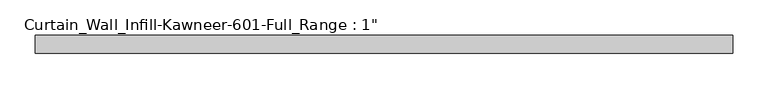
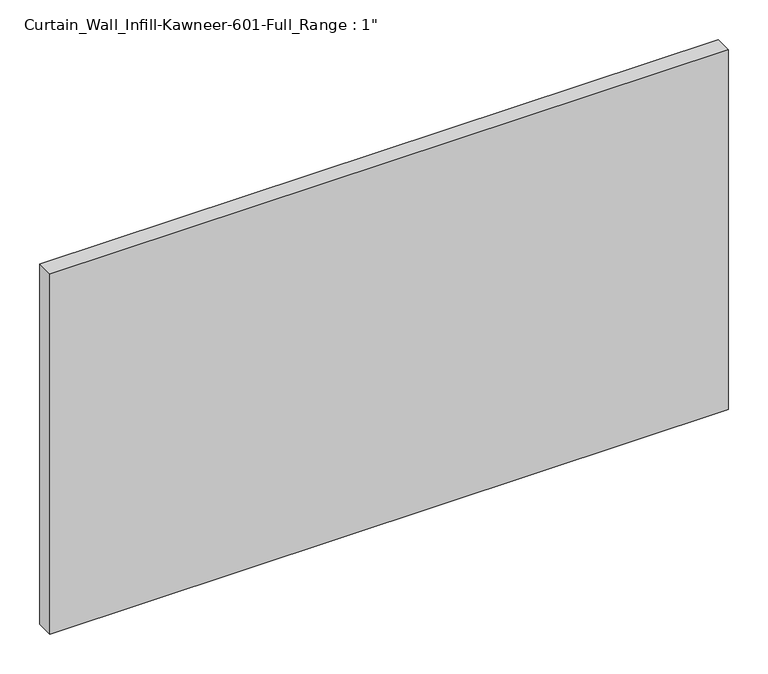
"""IFC4 building model written with IfcOpenShell, lengths in millimetres: plate geometry."""

from ifc_helpers import new_model, si_unit, origin, origin_with_axes, place, context, project, spatial, polyline, outline, extrude, source, transform, mapped, element, save


def plate_ad101e53(model_context):
    return source(origin(), model_context, "Body", "SweptSolid", [
        extrude(outline(polyline([(-492.125, -12.7), (-492.125, 12.7), (492.125, 12.7), (492.125, -12.7), (-492.125, -12.7)])), origin_with_axes(), (0.0, 0.0, 1.0), 552.45),
    ])


if __name__ == "__main__":
    model = new_model("IFC4")
    model_context = context("Model", 3, world=origin())
    ifc_project = project(units=[si_unit("LENGTHUNIT", "METRE", prefix="MILLI")], contexts=[model_context])
    site = spatial("IfcSite", under=ifc_project)
    building = spatial("IfcBuilding", under=site)
    placement = place(None, origin())
    plate_shape = plate_ad101e53(model_context)
    element("IfcPlate", 1, ObjectType="Curtain_Wall_Infill-Kawneer-601-Full_Range : 1\"", at=placement, inside=building, context=model_context, shape_type="MappedRepresentation", body=[
        mapped(plate_shape, transform((0.0, 0.0, 0.0), x_axis=(1.0, 0.0, 0.0), y_axis=(0.0, 1.0, 0.0), z_axis=(0.0, 0.0, 1.0))),
    ])
    save(model, "model.ifc")
